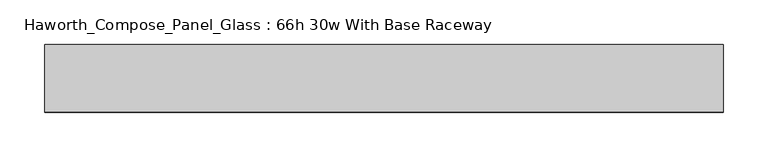
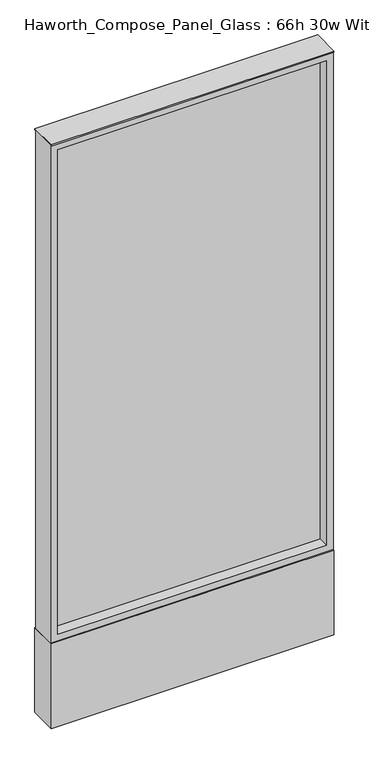
"""IFC4 building model written with IfcOpenShell, lengths in millimetres: furniture geometry, Haworth_Compose_Panel_Glass : 66h 30w With Base Raceway."""

from ifc_helpers import new_model, si_unit, point, frame, frame_2d, origin, origin_with_axes, place, context, project, spatial, polyline, circle_curve, trimmed, segment, composite_curve, outline, extrude, source, transform, mapped, element, save


def haworth_compose_panel_glass_66h_30w_with_base_raceway_f291f017(model_context):
    return source(origin(), model_context, "Body", "SweptSolid", [
        extrude(outline(composite_curve([segment(trimmed(circle_curve(frame_2d((307.2402902, 0.0)), 12.7), [point((294.5402902, 0.0))], [point((319.9402902, 0.0))], False, "CARTESIAN"), True, "CONTINUOUS"), segment(trimmed(circle_curve(frame_2d((307.2402902, 0.0)), 12.7), [point((319.9402902, 0.0))], [point((294.5402902, 0.0))], False, "CARTESIAN"), True, "CONTINUOUS")], self_intersect=False)), origin_with_axes(), (0.0, 0.0, 1.0), 12.7),
        extrude(outline(composite_curve([segment(trimmed(circle_curve(frame_2d((-302.3597098, 0.0)), 12.7), [point((-315.0597098, 0.0))], [point((-289.6597098, 0.0))], False, "CARTESIAN"), True, "CONTINUOUS"), segment(trimmed(circle_curve(frame_2d((-302.3597098, 0.0)), 12.7), [point((-289.6597098, 0.0))], [point((-315.0597098, 0.0))], False, "CARTESIAN"), True, "CONTINUOUS")], self_intersect=False)), origin_with_axes(), (0.0, 0.0, 1.0), 12.7),
        extrude(outline(polyline([(364.3902902, -6.35), (-359.5097098, -6.35), (-359.5097098, 6.35), (364.3902902, 6.35), (364.3902902, -6.35)])), frame((0.0, 0.0, 273.05), z_axis=(0.0, 0.0, 1.0), x_axis=(1.0, 0.0, 0.0)), (0.0, 0.0, 1.0), 1377.95),
        extrude(outline(polyline([(1670.05, -378.5597098), (254.0, -378.5597098), (254.0, 383.4402902), (1670.05, 383.4402902), (1670.05, -378.5597098)]), holes=[polyline([(1651.0, 364.3902902), (273.05, 364.3902902), (273.05, -359.5097098), (1651.0, -359.5097098), (1651.0, 364.3902902)])]), frame((0.0, -34.925, 0.0), z_axis=(0.0, 1.0, 0.0), x_axis=(0.0, 0.0, 1.0)), (0.0, 0.0, 1.0), 69.85),
        extrude(outline(polyline([(-378.5597098, 38.1), (383.4402902, 38.1), (383.4402902, -38.1), (-378.5597098, -38.1), (-378.5597098, 38.1)])), frame((0.0, 0.0, 12.7), z_axis=(0.0, 0.0, 1.0), x_axis=(1.0, 0.0, 0.0)), (0.0, 0.0, 1.0), 241.3),
        extrude(outline(polyline([(-378.5597098, -38.1), (-378.5597098, 38.1), (383.4402902, 38.1), (383.4402902, -38.1), (-378.5597098, -38.1)])), frame((0.0, 0.0, 1670.05), z_axis=(0.0, 0.0, 1.0), x_axis=(1.0, 0.0, 0.0)), (0.0, 0.0, 1.0), 3.175),
    ])


if __name__ == "__main__":
    model = new_model("IFC4")
    model_context = context("Model", 3, world=origin())
    ifc_project = project(units=[si_unit("LENGTHUNIT", "METRE", prefix="MILLI")], contexts=[model_context])
    site = spatial("IfcSite", under=ifc_project)
    building = spatial("IfcBuilding", under=site)
    placement = place(None, origin())
    haworth_compose_panel_glass_66h_30w_with_base_raceway_shape = haworth_compose_panel_glass_66h_30w_with_base_raceway_f291f017(model_context)
    element("IfcFurniture", 1, ObjectType="Haworth_Compose_Panel_Glass : 66h 30w With Base Raceway", at=placement, inside=building, context=model_context, shape_type="MappedRepresentation", body=[
        mapped(haworth_compose_panel_glass_66h_30w_with_base_raceway_shape, transform((0.0, 0.0, 0.0), x_axis=(1.0, 0.0, 0.0), y_axis=(0.0, 1.0, 0.0), z_axis=(0.0, 0.0, 1.0))),
    ])
    save(model, "model.ifc")
